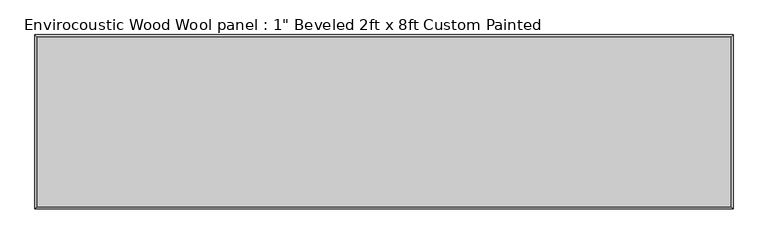
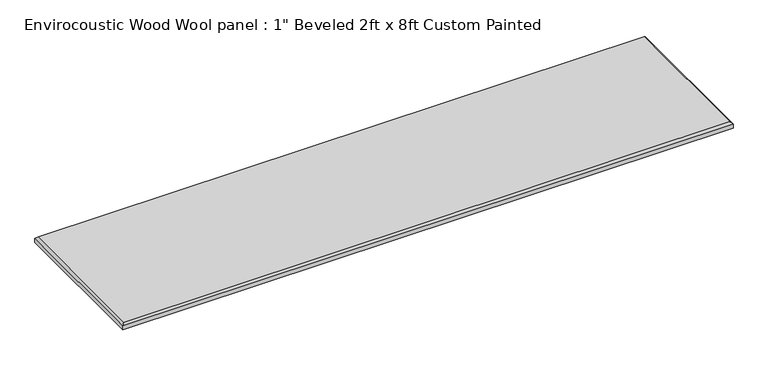
"""IFC4 building model written with IfcOpenShell, lengths in millimetres: proxy geometry."""

from ifc_helpers import new_model, si_unit, origin, place, context, project, spatial, faceted_brep, source, transform, mapped, element, save


def proxy_c7b477dd(model_context):
    return source(origin(), model_context, "Body", "Brep", [
        faceted_brep([(1211.199, 296.799, 25.4), (-1211.199, 296.799, 25.4), (-1211.199, -296.799, 25.4), (1211.199, -296.799, 25.4), (-1219.2, 304.8, 0.0), (1219.2, 304.8, 0.0), (1219.2, -304.8, 0.0), (-1219.2, -304.8, 0.0), (-1219.2, -304.8, 17.399), (-1219.2, 304.8, 17.399), (1219.2, -304.8, 17.399), (1219.2, 304.8, 17.399)], [[[0, 1, 2, 3]], [[4, 5, 6, 7]], [[4, 7, 8, 9]], [[7, 6, 10, 8]], [[6, 5, 11, 10]], [[5, 4, 9, 11]], [[9, 1, 0, 11]], [[1, 9, 8, 2]], [[2, 8, 10, 3]], [[11, 0, 3, 10]]]),
    ])


if __name__ == "__main__":
    model = new_model("IFC4")
    model_context = context("Model", 3, world=origin())
    ifc_project = project(units=[si_unit("LENGTHUNIT", "METRE", prefix="MILLI")], contexts=[model_context])
    site = spatial("IfcSite", under=ifc_project)
    building = spatial("IfcBuilding", under=site)
    placement = place(None, origin())
    proxy_shape = proxy_c7b477dd(model_context)
    element("IfcBuildingElementProxy", 1, Name="Envirocoustic Wood Wool panel : 1\" Beveled 2ft x 8ft Custom Painted", ObjectType="Envirocoustic Wood Wool panel : 1\" Beveled 2ft x 8ft Custom Painted", at=placement, inside=building, context=model_context, shape_type="MappedRepresentation", body=[
        mapped(proxy_shape, transform((0.0, 0.0, 0.0), x_axis=(1.0, 0.0, 0.0), y_axis=(0.0, 1.0, 0.0), z_axis=(0.0, 0.0, 1.0))),
    ])
    save(model, "model.ifc")
